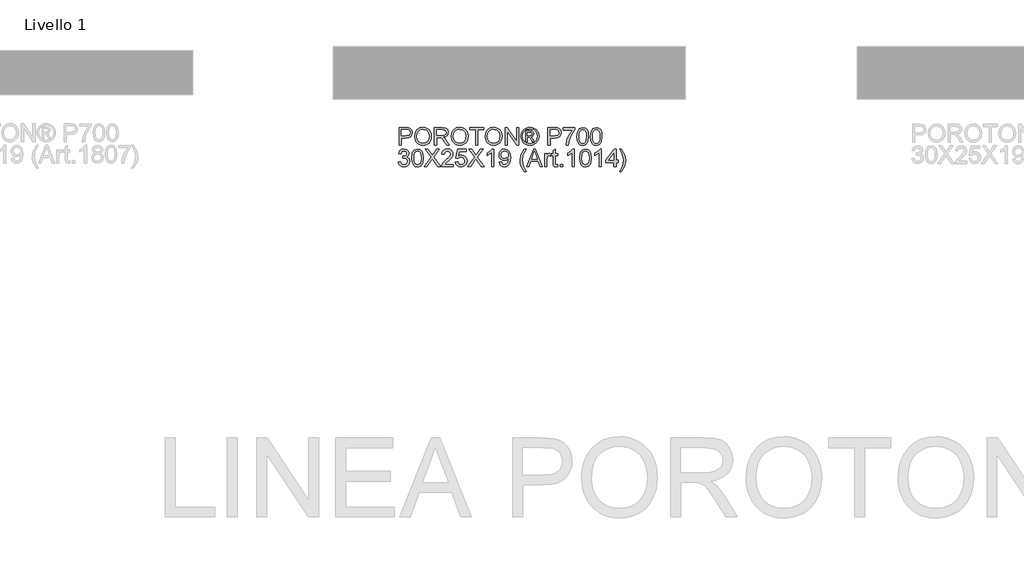
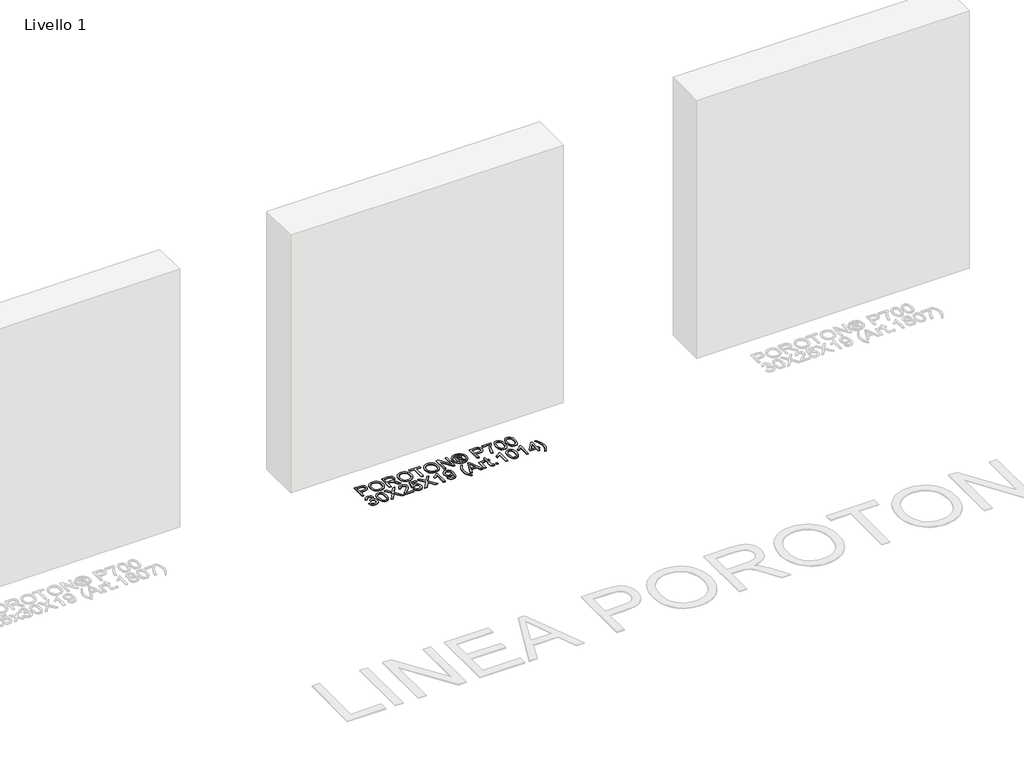
# One storey, part 3 of 5: 1 proxy.
"""IFC4 building model written with IfcOpenShell, lengths in millimetres."""

from ifc_helpers import new_model, si_unit, origin, origin_with_axes, place, context, project, spatial, polyline, outline, extrude, element, save

model = new_model("IFC4")

# Units and contexts
model_context = context("Model", 3, world=origin())
ifc_project = project(units=[si_unit("LENGTHUNIT", "METRE", prefix="MILLI")], contexts=[model_context])

# Site, building, storey
site = spatial("IfcSite", under=ifc_project)
building = spatial("IfcBuilding", under=site)
storey = spatial("IfcBuildingStorey", under=building, Name="Livello 1", Elevation=0.0)

# Proxy
placement = place(None, origin())
element("IfcBuildingElementProxy", 1, Name="100", ObjectType="100", at=placement, inside=storey, context=model_context, shape_type="SweptSolid", body=[
    extrude(outline(polyline([(-2204.6411511, 155.3637097), (-2204.6411511, 255.8200198), (-2167.4114932, 255.8200198), (-2152.4019078, 254.8635266), (-2140.2004883, 250.1668998), (-2132.2910254, 240.4548152), (-2129.2989185, 226.7573422), (-2131.3192038, 214.9176733), (-2137.3800597, 205.0523045), (-2148.7138908, 198.3936404), (-2166.5531019, 196.1740857), (-2192.0841123, 196.1740857), (-2192.0841123, 155.3637097), (-2204.6411511, 155.3637097)]), holes=[polyline([(-2192.0841123, 208.7311244), (-2165.8173379, 208.7311244), (-2147.3251363, 213.3419121), (-2143.223252, 218.8907989), (-2141.8559573, 226.3158838), (-2145.0810561, 236.7146815), (-2153.5546047, 242.4045897), (-2166.1116435, 243.2629811), (-2192.0841123, 243.2629811), (-2192.0841123, 208.7311244)])]), origin_with_axes(), (0.0, 0.0, 1.0), 5.0),
    extrude(outline(polyline([(-2116.7418797, 204.2674896), (-2113.3941536, 226.4814307), (-2103.3509751, 243.2875065), (-2088.0164273, 253.8641139), (-2068.794593, 257.3896497), (-2055.6182862, 255.7341807), (-2043.8031428, 250.7677738), (-2033.9929563, 242.8399168), (-2026.8315201, 232.3000976), (-2022.4537244, 219.6572197), (-2020.9944591, 205.4201865), (-2022.5303665, 190.9930809), (-2027.1380884, 178.1723934), (-2034.5631734, 167.6141801), (-2044.5511695, 159.9744974), (-2056.2651454, 155.3391842), (-2068.8681694, 153.7940798), (-2082.2468113, 155.5016654), (-2094.1293998, 160.6244222), (-2103.9150608, 168.699432), (-2111.0029206, 179.2637766), (-2116.7418797, 204.2674896)]), holes=[polyline([(-2104.184841, 204.1448622), (-2101.6740463, 188.4301697), (-2094.1416625, 176.4556107), (-2082.8200941, 168.8772416), (-2068.9417458, 166.3511186), (-2054.8610625, 168.9017671), (-2043.5211, 176.5537126), (-2036.0438984, 188.8961535), (-2033.5514979, 205.5182884), (-2037.818929, 226.2423074), (-2050.2901287, 239.9643058), (-2068.7210166, 244.8326109), (-2082.2284172, 242.4873632), (-2093.7124668, 235.45162), (-2101.5667474, 222.9344351), (-2104.184841, 204.1448622)])]), origin_with_axes(), (0.0, 0.0, 1.0), 5.0),
    extrude(outline(polyline([(-2003.7285308, 155.3637097), (-2003.7285308, 255.8200198), (-1960.4410827, 255.8200198), (-1940.342463, 253.1099558), (-1929.3550541, 243.5204985), (-1925.2470385, 228.3269721), (-1926.9484927, 218.4309464), (-1932.0528554, 210.2271779), (-1940.7134107, 204.2123073), (-1953.0834428, 200.8829752), (-1945.9465321, 195.5118981), (-1935.7684636, 182.5869773), (-1919.0175701, 155.3637097), (-1933.6102225, 155.3637097), (-1946.6822961, 176.1858306), (-1956.1246006, 189.9691427), (-1962.7587393, 196.480654), (-1968.7306903, 198.871887), (-1976.0147538, 199.3133454), (-1991.171492, 199.3133454), (-1991.171492, 155.3637097), (-2003.7285308, 155.3637097)]), holes=[polyline([(-1991.171492, 211.8703841), (-1963.0653076, 211.8703841), (-1948.7301725, 213.6484804), (-1940.5877177, 219.3383886), (-1937.8040773, 227.8609882), (-1943.1138407, 238.9219735), (-1959.9015225, 243.2629811), (-1991.171492, 243.2629811), (-1991.171492, 211.8703841)])]), origin_with_axes(), (0.0, 0.0, 1.0), 5.0),
    extrude(outline(polyline([(-1907.9811102, 204.2674896), (-1904.633384, 226.4814307), (-1894.5902056, 243.2875065), (-1879.2556577, 253.8641139), (-1860.0338235, 257.3896497), (-1846.8575167, 255.7341807), (-1835.0423733, 250.7677738), (-1825.2321868, 242.8399168), (-1818.0707506, 232.3000976), (-1813.6929548, 219.6572197), (-1812.2336896, 205.4201865), (-1813.7695969, 190.9930809), (-1818.3773189, 178.1723934), (-1825.8024038, 167.6141801), (-1835.7904, 159.9744974), (-1847.5043759, 155.3391842), (-1860.1073999, 153.7940798), (-1873.4860418, 155.5016654), (-1885.3686302, 160.6244222), (-1895.1542913, 168.699432), (-1902.2421511, 179.2637766), (-1907.9811102, 204.2674896)]), holes=[polyline([(-1895.4240714, 204.1448622), (-1892.9132768, 188.4301697), (-1885.380893, 176.4556107), (-1874.0593246, 168.8772416), (-1860.1809763, 166.3511186), (-1846.1002929, 168.9017671), (-1834.7603304, 176.5537126), (-1827.2831289, 188.8961535), (-1824.7907284, 205.5182884), (-1829.0581595, 226.2423074), (-1841.5293591, 239.9643058), (-1859.9602471, 244.8326109), (-1873.4676477, 242.4873632), (-1884.9516973, 235.45162), (-1892.8059779, 222.9344351), (-1895.4240714, 204.1448622)])]), origin_with_axes(), (0.0, 0.0, 1.0), 5.0),
    extrude(outline(polyline([(-1769.8536837, 155.3637097), (-1769.8536837, 243.2629811), (-1802.8159105, 243.2629811), (-1802.8159105, 255.8200198), (-1724.3344182, 255.8200198), (-1724.3344182, 243.2629811), (-1757.296645, 243.2629811), (-1757.296645, 155.3637097), (-1769.8536837, 155.3637097)])), origin_with_axes(), (0.0, 0.0, 1.0), 5.0),
    extrude(outline(polyline([(-1714.9166391, 204.2674896), (-1711.568913, 226.4814307), (-1701.5257345, 243.2875065), (-1686.1911867, 253.8641139), (-1666.9693524, 257.3896497), (-1653.7930456, 255.7341807), (-1641.9779022, 250.7677738), (-1632.1677157, 242.8399168), (-1625.0062795, 232.3000976), (-1620.6284838, 219.6572197), (-1619.1692185, 205.4201865), (-1620.7051259, 190.9930809), (-1625.3128478, 178.1723934), (-1632.7379328, 167.6141801), (-1642.7259289, 159.9744974), (-1654.4399048, 155.3391842), (-1667.0429288, 153.7940798), (-1680.4215707, 155.5016654), (-1692.3041592, 160.6244222), (-1702.0898202, 168.699432), (-1709.17768, 179.2637766), (-1714.9166391, 204.2674896)]), holes=[polyline([(-1702.3596004, 204.1448622), (-1699.8488057, 188.4301697), (-1692.3164219, 176.4556107), (-1680.9948535, 168.8772416), (-1667.1165052, 166.3511186), (-1653.0358219, 168.9017671), (-1641.6958594, 176.5537126), (-1634.2186578, 188.8961535), (-1631.7262573, 205.5182884), (-1635.9936884, 226.2423074), (-1648.4648881, 239.9643058), (-1666.895776, 244.8326109), (-1680.4031766, 242.4873632), (-1691.8872262, 235.45162), (-1699.7415068, 222.9344351), (-1702.3596004, 204.1448622)])]), origin_with_axes(), (0.0, 0.0, 1.0), 5.0),
    extrude(outline(polyline([(-1601.9032902, 155.3637097), (-1601.9032902, 255.8200198), (-1588.4633347, 255.8200198), (-1535.9788367, 176.2348815), (-1535.9788367, 255.8200198), (-1523.4217979, 255.8200198), (-1523.4217979, 155.3637097), (-1536.8617535, 155.3637097), (-1589.3462514, 234.9733734), (-1589.3462514, 155.3637097), (-1601.9032902, 155.3637097)])), origin_with_axes(), (0.0, 0.0, 1.0), 5.0),
    extrude(outline(polyline([(-1460.6120786, 257.3896497), (-1447.7178147, 255.7157866), (-1435.1301191, 250.6941974), (-1424.0721994, 242.5578739), (-1415.7672634, 231.5398081), (-1410.5709302, 218.8172225), (-1408.8388191, 205.5673393), (-1410.5464047, 192.4339521), (-1415.6691615, 179.8155996), (-1423.87293, 168.8373878), (-1434.8235507, 160.6244222), (-1447.4327061, 155.5016654), (-1460.6120786, 153.7940798), (-1473.773057, 155.5016654), (-1486.376081, 160.6244222), (-1497.3358988, 168.8373878), (-1505.5672584, 179.8155996), (-1510.7176063, 192.4339521), (-1512.434389, 205.5673393), (-1510.6930809, 218.8172225), (-1505.4691565, 231.5398081), (-1497.1366294, 242.5578739), (-1486.0695127, 250.6941974), (-1473.4879484, 255.7157866), (-1460.6120786, 257.3896497)]), holes=[polyline([(-1460.6120786, 247.9718706), (-1481.4341995, 242.4904289), (-1490.4626368, 235.8286991), (-1497.2899135, 226.8063931), (-1503.0166099, 205.5673393), (-1497.4002781, 184.5122264), (-1481.6794542, 168.8281907), (-1460.6120786, 163.2118589), (-1439.5324403, 168.8281907), (-1423.8484045, 184.5122264), (-1418.2565982, 205.5673393), (-1423.9465064, 226.8063931), (-1430.755389, 235.8286991), (-1439.8022204, 242.4904289), (-1460.6120786, 247.9718706)])]), origin_with_axes(), (0.0, 0.0, 1.0), 5.0),
    extrude(outline(polyline([(-1484.1810518, 174.1992678), (-1484.1810518, 236.9844617), (-1463.8984911, 236.9844617), (-1448.8398548, 235.2554163), (-1441.4209012, 229.2221516), (-1438.6617862, 220.0618899), (-1443.4197267, 208.1425133), (-1456.0258164, 202.4526051), (-1451.1207231, 199.1171416), (-1442.5613354, 186.5846283), (-1435.5225265, 174.1992678), (-1446.117528, 174.1992678), (-1451.6357579, 184.1566072), (-1460.8818587, 198.5775814), (-1468.9016862, 200.8829752), (-1474.7632727, 200.8829752), (-1474.7632727, 174.1992678), (-1484.1810518, 174.1992678)]), holes=[polyline([(-1474.7632727, 210.3007543), (-1462.843896, 210.3007543), (-1451.1942995, 212.6919873), (-1448.0795653, 219.0318203), (-1449.5756187, 223.5935571), (-1453.7326853, 226.5856639), (-1463.6041855, 227.5666826), (-1474.7632727, 227.5666826), (-1474.7632727, 210.3007543)])]), origin_with_axes(), (0.0, 0.0, 1.0), 5.0),
    extrude(outline(polyline([(-1358.6106641, 155.3637097), (-1358.6106641, 255.8200198), (-1321.3810062, 255.8200198), (-1306.3714208, 254.8635266), (-1294.1700012, 250.1668998), (-1286.2605384, 240.4548152), (-1283.2684315, 226.7573422), (-1285.2887167, 214.9176733), (-1291.3495726, 205.0523045), (-1302.6834038, 198.3936404), (-1320.5226148, 196.1740857), (-1346.0536253, 196.1740857), (-1346.0536253, 155.3637097), (-1358.6106641, 155.3637097)]), holes=[polyline([(-1346.0536253, 208.7311244), (-1319.7868508, 208.7311244), (-1301.2946492, 213.3419121), (-1297.192765, 218.8907989), (-1295.8254702, 226.3158838), (-1299.0505691, 236.7146815), (-1307.5241177, 242.4045897), (-1320.0811564, 243.2629811), (-1346.0536253, 243.2629811), (-1346.0536253, 208.7311244)])]), origin_with_axes(), (0.0, 0.0, 1.0), 5.0),
    extrude(outline(polyline([(-1270.7113927, 241.6933512), (-1270.7113927, 254.25039), (-1204.7869392, 254.25039), (-1204.7869392, 244.0968469), (-1223.4876072, 217.0820457), (-1237.7982169, 182.6605537), (-1242.4580555, 155.3637097), (-1255.0150942, 155.3637097), (-1250.0241618, 183.6906233), (-1236.3266889, 215.7086196), (-1217.3439779, 241.6933512), (-1270.7113927, 241.6933512)])), origin_with_axes(), (0.0, 0.0, 1.0), 5.0),
    extrude(outline(polyline([(-1193.7995302, 204.7825244), (-1190.1084475, 233.6857865), (-1179.1455641, 250.3508408), (-1160.8373035, 255.8200198), (-1146.1710746, 252.5826583), (-1136.042057, 243.2507183), (-1130.1559451, 228.3882857), (-1127.8750767, 204.7825244), (-1131.5293712, 176.0018896), (-1142.4554664, 159.300047), (-1150.6868261, 155.1705716), (-1160.8373035, 153.7940798), (-1173.8848516, 156.1853128), (-1183.79314, 163.3590117), (-1191.2979327, 180.3490285), (-1193.7995302, 204.7825244)]), holes=[polyline([(-1181.2424915, 204.8070498), (-1179.7709635, 185.0548524), (-1175.3563795, 173.6229194), (-1168.7835546, 168.1690688), (-1160.8373035, 166.3511186), (-1152.8910524, 168.1752002), (-1146.3182274, 173.6474448), (-1141.9036434, 185.0855092), (-1140.4321155, 204.8070498), (-1141.8545925, 224.1147232), (-1146.1220237, 235.635561), (-1152.6825859, 241.3561261), (-1160.9844563, 243.2629811), (-1168.8448682, 241.5829866), (-1175.1601758, 236.5430033), (-1179.7219126, 224.3047956), (-1181.2424915, 204.8070498)])]), origin_with_axes(), (0.0, 0.0, 1.0), 5.0),
    extrude(outline(polyline([(-1116.8876678, 204.7825244), (-1113.1965851, 233.6857865), (-1102.2337016, 250.3508408), (-1083.925441, 255.8200198), (-1069.2592121, 252.5826583), (-1059.1301945, 243.2507183), (-1053.2440826, 228.3882857), (-1050.9632142, 204.7825244), (-1054.6175087, 176.0018896), (-1065.543604, 159.300047), (-1073.7749636, 155.1705716), (-1083.925441, 153.7940798), (-1096.9729891, 156.1853128), (-1106.8812775, 163.3590117), (-1114.3860702, 180.3490285), (-1116.8876678, 204.7825244)]), holes=[polyline([(-1104.330629, 204.8070498), (-1102.859101, 185.0548524), (-1098.4445171, 173.6229194), (-1091.8716921, 168.1690688), (-1083.925441, 166.3511186), (-1075.9791899, 168.1752002), (-1069.4063649, 173.6474448), (-1064.991781, 185.0855092), (-1063.520253, 204.8070498), (-1064.9427301, 224.1147232), (-1069.2101612, 235.635561), (-1075.7707234, 241.3561261), (-1084.0725938, 243.2629811), (-1091.9330058, 241.5829866), (-1098.2483134, 236.5430033), (-1102.8100501, 224.3047956), (-1104.330629, 204.8070498)])]), origin_with_axes(), (0.0, 0.0, 1.0), 5.0),
    extrude(outline(polyline([(-2209.3500407, 60.0725992), (-2196.7930019, 61.6422291), (-2189.8645576, 48.4230027), (-2176.9028487, 44.3763008), (-2168.29441, 45.768121), (-2161.6480086, 49.9435816), (-2155.9826259, 63.7268937), (-2161.5989577, 76.7131281), (-2175.8727791, 81.8512133), (-2184.6774215, 80.4777872), (-2183.2794699, 93.034826), (-2181.2683817, 92.8876732), (-2167.0190857, 96.4929167), (-2162.273408, 101.0669162), (-2160.6915154, 107.5784275), (-2165.2777776, 117.4008768), (-2177.0990524, 121.2881632), (-2189.06748, 117.3640886), (-2195.223372, 105.5918648), (-2207.7804108, 107.1614946), (-2204.0831968, 118.4370778), (-2197.5042404, 126.8554441), (-2188.5033943, 132.0977625), (-2177.5405108, 133.845202), (-2162.3960353, 130.399374), (-2151.8010339, 120.9815949), (-2148.1344767, 108.3141915), (-2151.6170929, 96.7381714), (-2161.9177887, 88.4240383), (-2148.2325785, 79.8401251), (-2143.4255871, 63.5061645), (-2145.8290828, 51.2679568), (-2153.0395699, 41.0408373), (-2163.9227456, 34.1246558), (-2177.3443071, 31.819262), (-2189.4844129, 33.7874307), (-2199.3681758, 39.6919367), (-2206.2414378, 48.7234397), (-2209.3500407, 60.0725992)])), origin_with_axes(), (0.0, 0.0, 1.0), 5.0),
    extrude(outline(polyline([(-2132.4381782, 82.8077065), (-2128.7470955, 111.7109686), (-2117.7842121, 128.376023), (-2099.4759514, 133.845202), (-2084.8097226, 130.6078404), (-2074.680705, 121.2759005), (-2068.794593, 106.4134679), (-2066.5137247, 82.8077065), (-2070.1680191, 54.0270718), (-2081.0941144, 37.3252292), (-2089.325474, 33.1957538), (-2099.4759514, 31.819262), (-2112.5234995, 34.210495), (-2122.4317879, 41.3841939), (-2129.9365806, 58.3742107), (-2132.4381782, 82.8077065)]), holes=[polyline([(-2119.8811394, 82.832232), (-2118.4096114, 63.0800345), (-2113.9950275, 51.6481015), (-2107.4222025, 46.1942509), (-2099.4759514, 44.3763008), (-2091.5297003, 46.2003823), (-2084.9568753, 51.672627), (-2080.5422914, 63.1106914), (-2079.0707634, 82.832232), (-2080.4932405, 102.1399054), (-2084.7606716, 113.6607432), (-2091.3212339, 119.3813082), (-2099.6231042, 121.2881632), (-2107.4835162, 119.6081688), (-2113.7988238, 114.5681854), (-2118.3605605, 102.3299777), (-2119.8811394, 82.832232)])]), origin_with_axes(), (0.0, 0.0, 1.0), 5.0),
    extrude(outline(polyline([(-2061.8048351, 33.3888918), (-2023.0791238, 88.1297327), (-2055.5263157, 133.845202), (-2040.4676794, 133.845202), (-2022.196207, 108.1179878), (-2016.0403149, 98.0870721), (-2008.8298278, 108.2896661), (-1990.7545591, 133.845202), (-1975.4751936, 133.845202), (-2007.9223856, 87.9825799), (-1969.1966742, 33.3888918), (-1984.2553105, 33.3888918), (-2010.0561011, 69.7846839), (-2015.4271783, 77.3385275), (-2021.3378156, 69.0489199), (-2046.5254696, 33.3888918), (-2061.8048351, 33.3888918)])), origin_with_axes(), (0.0, 0.0, 1.0), 5.0),
    extrude(outline(polyline([(-1896.9937013, 45.9459306), (-1896.9937013, 33.3888918), (-1962.9181548, 33.3888918), (-1961.5692542, 42.0463815), (-1953.9418341, 55.3759724), (-1938.2210102, 69.9318367), (-1916.540498, 90.8520595), (-1911.1203699, 105.07683), (-1916.2339296, 116.5915364), (-1929.5880461, 121.2881632), (-1943.5062482, 116.701901), (-1948.7914862, 104.0222349), (-1961.348525, 105.5918648), (-1958.3043015, 117.738102), (-1951.7222794, 126.6101894), (-1941.9458154, 132.0364488), (-1929.3182659, 133.845202), (-1916.5987459, 131.8341137), (-1906.840676, 125.800849), (-1900.6326673, 116.7877401), (-1898.5633311, 105.8371194), (-1900.7951486, 93.9300055), (-1908.2141021, 81.6182214), (-1926.2035317, 64.4136068), (-1940.6490314, 52.3348146), (-1946.3144141, 45.9459306), (-1896.9937013, 45.9459306)])), origin_with_axes(), (0.0, 0.0, 1.0), 5.0),
    extrude(outline(polyline([(-1884.4366625, 60.0725992), (-1871.8796237, 61.6422291), (-1865.5520534, 48.7050456), (-1852.4309289, 44.3763008), (-1843.4300828, 45.8815513), (-1836.6855795, 50.3973027), (-1832.4733307, 57.4023891), (-1831.0692477, 66.3756441), (-1836.3299603, 81.2871276), (-1842.9365078, 85.3890119), (-1852.2347252, 86.7563066), (-1863.2589223, 84.5735401), (-1870.3099939, 78.9081574), (-1882.8670327, 80.4777872), (-1871.8796237, 132.2755721), (-1823.2210985, 132.2755721), (-1823.2210985, 119.7185334), (-1861.7260807, 119.7185334), (-1867.0971578, 92.0538073), (-1858.1269685, 97.4984609), (-1848.7275835, 99.3133454), (-1836.9952135, 97.0631338), (-1827.2555377, 90.3124992), (-1820.6980412, 80.0240661), (-1818.512209, 67.160459), (-1820.4803776, 54.6034202), (-1826.3848837, 43.861266), (-1837.6911237, 34.829763), (-1852.4799799, 31.819262), (-1864.8132238, 33.7537081), (-1874.6387387, 39.5570466), (-1881.3740449, 48.5548271), (-1884.4366625, 60.0725992)])), origin_with_axes(), (0.0, 0.0, 1.0), 5.0),
    extrude(outline(polyline([(-1813.8033194, 33.3888918), (-1775.0776081, 88.1297327), (-1807.5248001, 133.845202), (-1792.4661637, 133.845202), (-1774.1946913, 108.1179878), (-1768.0387992, 98.0870721), (-1760.8283121, 108.2896661), (-1742.7530434, 133.845202), (-1727.4736779, 133.845202), (-1759.9208699, 87.9825799), (-1721.1951585, 33.3888918), (-1736.2537949, 33.3888918), (-1762.0545854, 69.7846839), (-1767.4256626, 77.3385275), (-1773.3363, 69.0489199), (-1798.5239539, 33.3888918), (-1813.8033194, 33.3888918)])), origin_with_axes(), (0.0, 0.0, 1.0), 5.0),
    extrude(outline(polyline([(-1666.2581139, 33.3888918), (-1678.8151527, 33.3888918), (-1678.8151527, 111.6741804), (-1690.7100039, 103.2006318), (-1703.9292302, 96.8607987), (-1703.9292302, 108.7311244), (-1685.5228677, 120.4788228), (-1674.3515178, 133.845202), (-1666.2581139, 133.845202), (-1666.2581139, 33.3888918)])), origin_with_axes(), (0.0, 0.0, 1.0), 5.0),
    extrude(outline(polyline([(-1634.865517, 58.5029694), (-1622.3084782, 60.0725992), (-1616.667621, 48.0919089), (-1605.9745176, 44.3763008), (-1595.8087118, 46.7675337), (-1588.9170558, 53.1564177), (-1584.8090402, 64.0702502), (-1582.9941557, 78.6383772), (-1583.0677321, 81.0909239), (-1593.1109105, 71.5750429), (-1606.8819599, 67.9207484), (-1618.332287, 70.1525659), (-1627.8634963, 76.8480182), (-1634.2922342, 87.1916336), (-1636.4351468, 100.3679404), (-1634.188001, 113.9795742), (-1627.4465634, 124.6481521), (-1617.3206115, 131.5459395), (-1604.9199226, 133.845202), (-1587.0285949, 128.5967522), (-1574.7168108, 113.6362177), (-1570.5106933, 85.5300333), (-1574.704548, 55.0326159), (-1579.9192753, 45.041554), (-1587.1757477, 37.7544248), (-1596.1612654, 33.3030527), (-1606.5631288, 31.819262), (-1617.2991517, 33.5697671), (-1625.8646708, 38.8212826), (-1631.855016, 47.2427146), (-1634.865517, 58.5029694)]), holes=[polyline([(-1583.0677321, 100.662246), (-1584.4227641, 109.1725828), (-1588.4878601, 115.7208824), (-1594.7970363, 119.896343), (-1602.8843089, 121.2881632), (-1611.2720184, 119.7890441), (-1617.9919961, 115.2916867), (-1622.4065801, 108.4092277), (-1623.8781081, 99.7548038), (-1622.4862878, 91.9955593), (-1618.3108272, 85.8366016), (-1611.7563963, 81.8174908), (-1603.2276654, 80.4777872), (-1588.7453775, 85.8366016), (-1584.4871434, 92.2224199), (-1583.0677321, 100.662246)])]), origin_with_axes(), (0.0, 0.0, 1.0), 5.0),
    extrude(outline(polyline([(-1492.029201, 5.1355546), (-1509.859215, 34.5906397), (-1515.3222627, 51.7707289), (-1517.1432785, 69.5639547), (-1511.698625, 100.0981603), (-1492.029201, 133.845202), (-1482.6114219, 133.845202), (-1494.3591203, 113.9550488), (-1501.4224546, 94.6780322), (-1504.5862398, 69.4903783), (-1499.0925353, 37.3007037), (-1482.6114219, 5.1355546), (-1492.029201, 5.1355546)])), origin_with_axes(), (0.0, 0.0, 1.0), 5.0),
    extrude(outline(polyline([(-1480.1834007, 33.3888918), (-1440.0842633, 133.845202), (-1429.3911599, 133.845202), (-1389.2920225, 33.3888918), (-1402.5602998, 33.3888918), (-1414.0627435, 64.7814888), (-1455.4372052, 64.7814888), (-1466.9151235, 33.3888918), (-1480.1834007, 33.3888918)]), holes=[polyline([(-1450.8264175, 77.3385275), (-1418.6490057, 77.3385275), (-1427.6989028, 102.0356721), (-1434.7377116, 121.2881632), (-1440.9917055, 104.1939132), (-1450.8264175, 77.3385275)])]), origin_with_axes(), (0.0, 0.0, 1.0), 5.0),
    extrude(outline(polyline([(-1377.4462222, 33.3888918), (-1377.4462222, 107.1614946), (-1366.4588133, 107.1614946), (-1366.4588133, 96.2476621), (-1358.659715, 106.3031033), (-1350.8115658, 108.7311244), (-1338.2054761, 104.8561008), (-1342.3993308, 93.5989117), (-1351.2284987, 96.1740857), (-1358.3286212, 93.6970136), (-1362.8535697, 86.829883), (-1364.8891835, 72.1636541), (-1364.8891835, 33.3888918), (-1377.4462222, 33.3888918)])), origin_with_axes(), (0.0, 0.0, 1.0), 5.0),
    extrude(outline(polyline([(-1303.6736195, 43.861266), (-1302.1039896, 33.0210098), (-1311.4972432, 31.819262), (-1322.0186683, 33.9039266), (-1327.2671181, 39.3731056), (-1328.787697, 53.6224016), (-1328.787697, 94.6044558), (-1338.2054761, 94.6044558), (-1338.2054761, 107.1614946), (-1328.787697, 107.1614946), (-1328.787697, 125.0896105), (-1316.2306582, 132.4717759), (-1316.2306582, 107.1614946), (-1303.6736195, 107.1614946), (-1303.6736195, 94.6044558), (-1316.2306582, 94.6044558), (-1316.2306582, 53.9902836), (-1315.5684706, 47.5155604), (-1313.4224923, 45.2224293), (-1309.1427985, 44.3763008), (-1303.6736195, 43.861266)])), origin_with_axes(), (0.0, 0.0, 1.0), 5.0),
    extrude(outline(polyline([(-1287.977321, 33.3888918), (-1287.977321, 45.9459306), (-1275.4202822, 45.9459306), (-1275.4202822, 33.3888918), (-1287.977321, 33.3888918)])), origin_with_axes(), (0.0, 0.0, 1.0), 5.0),
    extrude(outline(polyline([(-1207.9261988, 33.3888918), (-1220.4832376, 33.3888918), (-1220.4832376, 111.6741804), (-1232.3780888, 103.2006318), (-1245.5973152, 96.8607987), (-1245.5973152, 108.7311244), (-1227.1909527, 120.4788228), (-1216.0196027, 133.845202), (-1207.9261988, 133.845202), (-1207.9261988, 33.3888918)])), origin_with_axes(), (0.0, 0.0, 1.0), 5.0),
    extrude(outline(polyline([(-1178.1032318, 82.8077065), (-1174.4121491, 111.7109686), (-1163.4492656, 128.376023), (-1145.141005, 133.845202), (-1130.4747761, 130.6078404), (-1120.3457585, 121.2759005), (-1114.4596466, 106.4134679), (-1112.1787782, 82.8077065), (-1115.8330727, 54.0270718), (-1126.759168, 37.3252292), (-1134.9905276, 33.1957538), (-1145.141005, 31.819262), (-1158.1885531, 34.210495), (-1168.0968415, 41.3841939), (-1175.6016342, 58.3742107), (-1178.1032318, 82.8077065)]), holes=[polyline([(-1165.546193, 82.832232), (-1164.074665, 63.0800345), (-1159.6600811, 51.6481015), (-1153.0872561, 46.1942509), (-1145.141005, 44.3763008), (-1137.1947539, 46.2003823), (-1130.6219289, 51.672627), (-1126.207345, 63.1106914), (-1124.735817, 82.832232), (-1126.1582941, 102.1399054), (-1130.4257252, 113.6607432), (-1136.9862874, 119.3813082), (-1145.2881578, 121.2881632), (-1153.1485698, 119.6081688), (-1159.4638773, 114.5681854), (-1164.0256141, 102.3299777), (-1165.546193, 82.832232)])]), origin_with_axes(), (0.0, 0.0, 1.0), 5.0),
    extrude(outline(polyline([(-1054.1024739, 33.3888918), (-1066.6595127, 33.3888918), (-1066.6595127, 111.6741804), (-1078.5543639, 103.2006318), (-1091.7735902, 96.8607987), (-1091.7735902, 108.7311244), (-1073.3672277, 120.4788228), (-1062.1958778, 133.845202), (-1054.1024739, 133.845202), (-1054.1024739, 33.3888918)])), origin_with_axes(), (0.0, 0.0, 1.0), 5.0),
    extrude(outline(polyline([(-983.4691309, 33.3888918), (-983.4691309, 56.9333395), (-1028.9883964, 56.9333395), (-1028.9883964, 69.4903783), (-980.3298712, 132.2755721), (-970.9120921, 132.2755721), (-970.9120921, 69.4903783), (-958.3550533, 69.4903783), (-958.3550533, 56.9333395), (-970.9120921, 56.9333395), (-970.9120921, 33.3888918), (-983.4691309, 33.3888918)]), holes=[polyline([(-983.4691309, 69.4903783), (-983.4691309, 108.2896661), (-1013.5373526, 69.4903783), (-983.4691309, 69.4903783)])]), origin_with_axes(), (0.0, 0.0, 1.0), 5.0),
    extrude(outline(polyline([(-941.089125, 5.1355546), (-950.5069041, 5.1355546), (-934.0257907, 37.3007037), (-928.5320862, 69.4903783), (-931.6958714, 94.457303), (-938.6856293, 113.758845), (-950.5069041, 133.845202), (-941.089125, 133.845202), (-921.419701, 100.0981603), (-915.9750475, 69.5639547), (-917.8052604, 51.7707289), (-923.2958992, 34.5906397), (-941.089125, 5.1355546)])), origin_with_axes(), (0.0, 0.0, 1.0), 5.0),
])

save(model, "model.ifc")
